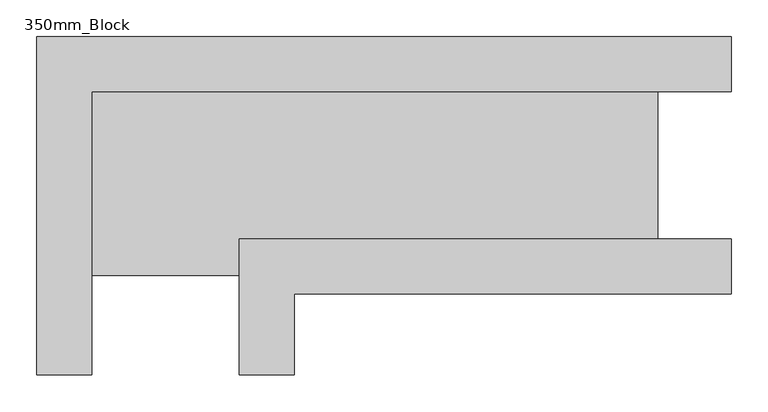
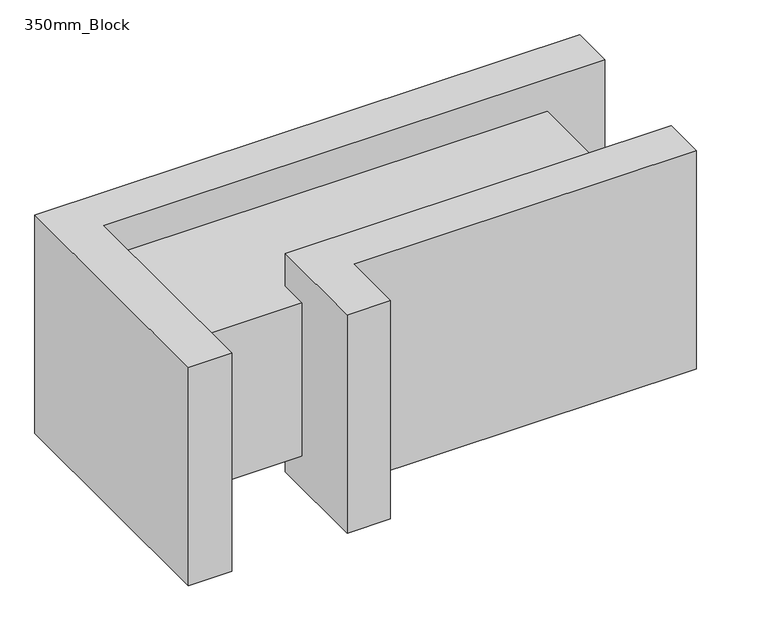
"""IFC4 building model written with IfcOpenShell, lengths in millimetres: plate geometry, 350mm_Block."""

from ifc_helpers import new_model, si_unit, frame, origin, origin_with_axes, place, context, project, spatial, polyline, outline, extrude, source, transform, mapped, element, save


def plate_350mm_block_2259469a(model_context):
    return source(origin(), model_context, "Body", "SweptSolid", [
        extrude(outline(polyline([(296.875, -175.0), (-296.875, -175.0), (-296.875, -285.0), (-371.875, -285.0), (-371.875, -100.0), (296.875, -100.0), (296.875, -175.0)])), origin_with_axes(), (0.0, 0.0, 1.0), 400.0),
        extrude(outline(polyline([(296.875, 100.0), (-571.875, 100.0), (-571.875, -285.0), (-646.875, -285.0), (-646.875, 175.0), (296.875, 175.0), (296.875, 100.0)])), origin_with_axes(), (0.0, 0.0, 1.0), 400.0),
        extrude(outline(polyline([(196.875, -100.0), (-371.875, -100.0), (-371.875, -150.0), (-571.875, -150.0), (-571.875, 100.0), (196.875, 100.0), (196.875, -100.0)])), frame((0.0, 0.0, 59.45), z_axis=(0.0, 0.0, 1.0), x_axis=(1.0, 0.0, 0.0)), (0.0, 0.0, 1.0), 281.1),
    ])


if __name__ == "__main__":
    model = new_model("IFC4")
    model_context = context("Model", 3, world=origin())
    ifc_project = project(units=[si_unit("LENGTHUNIT", "METRE", prefix="MILLI")], contexts=[model_context])
    site = spatial("IfcSite", under=ifc_project)
    building = spatial("IfcBuilding", under=site)
    placement = place(None, origin())
    plate_350mm_block_shape = plate_350mm_block_2259469a(model_context)
    element("IfcPlate", 1, ObjectType="350mm_Block", at=placement, inside=building, context=model_context, shape_type="MappedRepresentation", body=[
        mapped(plate_350mm_block_shape, transform((0.0, 0.0, 0.0), x_axis=(1.0, 0.0, 0.0), y_axis=(0.0, 1.0, 0.0), z_axis=(0.0, 0.0, 1.0))),
    ])
    save(model, "model.ifc")
